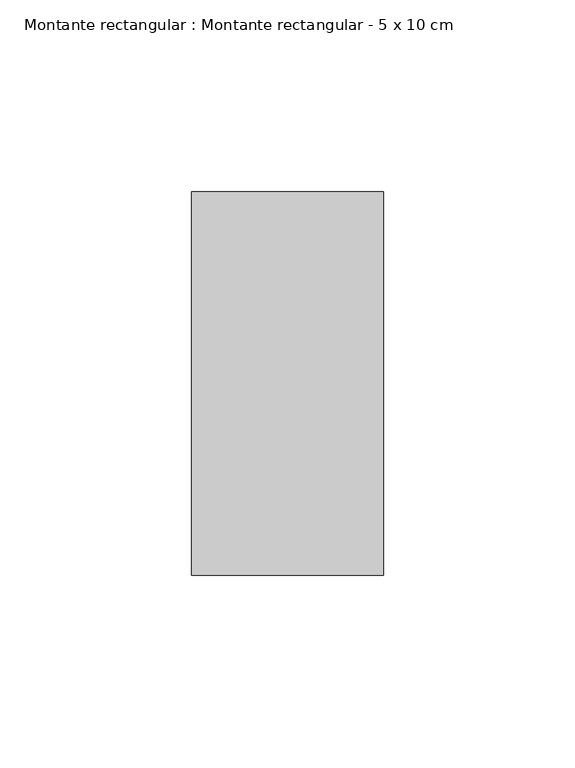
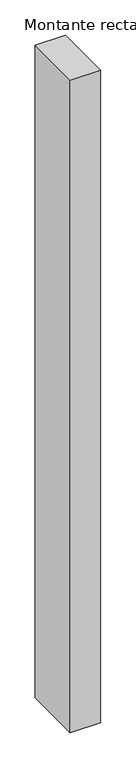
"""IFC4 building model written with IfcOpenShell, lengths in millimetres: member geometry, Montante rectangular : Montante rectangular - 5 x 10 cm."""

from ifc_helpers import new_model, si_unit, frame, origin, place, context, project, spatial, polyline, outline, extrude, source, transform, mapped, element, save


def montante_rectangular_montante_rectangular_5_x_10_cm_30e445cf(model_context):
    return source(origin(), model_context, "Body", "SweptSolid", [
        extrude(outline(polyline([(-50.0, 50.0), (0.0, 50.0), (0.0, -50.0), (-50.0, -50.0), (-50.0, 50.0)])), frame((0.0, 0.0, -1130.6768161), z_axis=(0.0, 0.0, 1.0), x_axis=(1.0, 0.0, 0.0)), (0.0, 0.0, 1.0), 1130.6768161),
    ])


if __name__ == "__main__":
    model = new_model("IFC4")
    model_context = context("Model", 3, world=origin())
    ifc_project = project(units=[si_unit("LENGTHUNIT", "METRE", prefix="MILLI")], contexts=[model_context])
    site = spatial("IfcSite", under=ifc_project)
    building = spatial("IfcBuilding", under=site)
    placement = place(None, origin())
    montante_rectangular_montante_rectangular_5_x_10_cm_shape = montante_rectangular_montante_rectangular_5_x_10_cm_30e445cf(model_context)
    element("IfcMember", 1, ObjectType="Montante rectangular : Montante rectangular - 5 x 10 cm", at=placement, inside=building, context=model_context, shape_type="MappedRepresentation", body=[
        mapped(montante_rectangular_montante_rectangular_5_x_10_cm_shape, transform((0.0, 0.0, 0.0), x_axis=(1.0, 0.0, 0.0), y_axis=(0.0, 1.0, 0.0), z_axis=(0.0, 0.0, 1.0))),
    ])
    save(model, "model.ifc")
